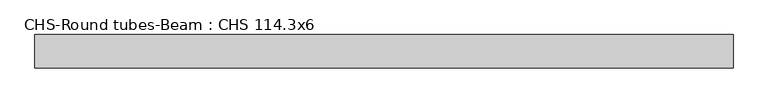
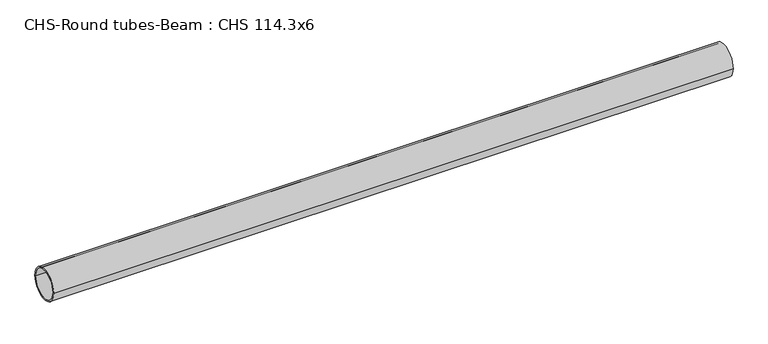
"""IFC4 building model written with IfcOpenShell, lengths in millimetres: beam geometry, CHS-Round tubes-Beam : CHS 114.3x6."""

from ifc_helpers import new_model, si_unit, point, frame, origin, origin_2d, place, context, project, spatial, circle_curve, trimmed, segment, composite_curve, outline, extrude, source, transform, mapped, element, save


def chs_round_tubes_beam_chs_114_3x6_ca7e08ff(model_context):
    return source(origin(), model_context, "Body", "SweptSolid", [
        extrude(outline(composite_curve([segment(trimmed(circle_curve(origin_2d(), 57.15), [point((57.15, 0.0))], [point((-57.15, 0.0))], False, "CARTESIAN"), True, "CONTINUOUS"), segment(trimmed(circle_curve(origin_2d(), 57.15), [point((-57.15, 0.0))], [point((57.15, 0.0))], False, "CARTESIAN"), True, "CONTINUOUS")], self_intersect=False), holes=[composite_curve([segment(trimmed(circle_curve(origin_2d(), 51.15), [point((51.15, 0.0))], [point((-51.15, 0.0))], True, "CARTESIAN"), True, "CONTINUOUS"), segment(trimmed(circle_curve(origin_2d(), 51.15), [point((-51.15, 0.0))], [point((51.15, 0.0))], True, "CARTESIAN"), True, "CONTINUOUS")], self_intersect=False)]), frame((-1158.1183388, 0.0, 0.0), z_axis=(1.0, 0.0, 0.0), x_axis=(0.0, 1.0, 0.0)), (0.0, 0.0, 1.0), 2396.5585113),
    ])


if __name__ == "__main__":
    model = new_model("IFC4")
    model_context = context("Model", 3, world=origin())
    ifc_project = project(units=[si_unit("LENGTHUNIT", "METRE", prefix="MILLI")], contexts=[model_context])
    site = spatial("IfcSite", under=ifc_project)
    building = spatial("IfcBuilding", under=site)
    placement = place(None, origin())
    chs_round_tubes_beam_chs_114_3x6_shape = chs_round_tubes_beam_chs_114_3x6_ca7e08ff(model_context)
    element("IfcBeam", 1, ObjectType="CHS-Round tubes-Beam : CHS 114.3x6", at=placement, inside=building, context=model_context, shape_type="MappedRepresentation", body=[
        mapped(chs_round_tubes_beam_chs_114_3x6_shape, transform((0.0, 0.0, 0.0), x_axis=(1.0, 0.0, 0.0), y_axis=(0.0, 1.0, 0.0), z_axis=(0.0, 0.0, 1.0))),
    ])
    save(model, "model.ifc")
